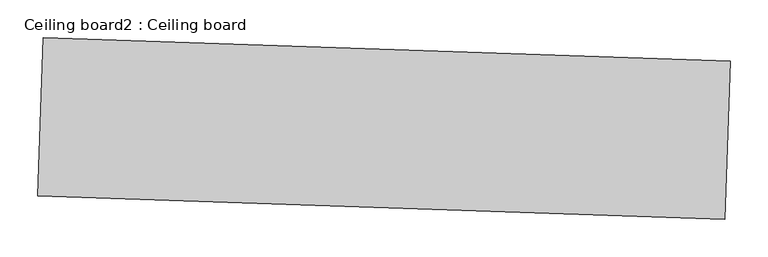
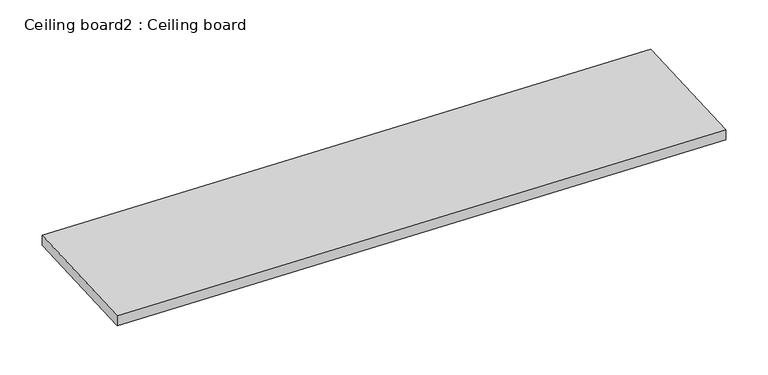
"""IFC4 building model written with IfcOpenShell, lengths in millimetres: proxy geometry, Ceiling board2 : Ceiling board."""

from ifc_helpers import new_model, si_unit, frame, origin, place, context, project, spatial, polyline, outline, extrude, source, transform, mapped, element, save


def ceiling_board2_ceiling_board_2b5f530e(model_context):
    return source(origin(), model_context, "Body", "SweptSolid", [
        extrude(outline(polyline([(34355.7014474, -15437.570656), (34348.4927609, -15648.216672), (33434.6277325, -15616.9425627), (33441.836419, -15406.2965468), (34355.7014474, -15437.570656)])), frame((0.0, 0.0, 2721.9433715), z_axis=(0.0, 0.0, 1.0), x_axis=(1.0, 0.0, 0.0)), (0.0, 0.0, 1.0), 15.875),
    ])


if __name__ == "__main__":
    model = new_model("IFC4")
    model_context = context("Model", 3, world=origin())
    ifc_project = project(units=[si_unit("LENGTHUNIT", "METRE", prefix="MILLI")], contexts=[model_context])
    site = spatial("IfcSite", under=ifc_project)
    building = spatial("IfcBuilding", under=site)
    placement = place(None, origin())
    ceiling_board2_ceiling_board_shape = ceiling_board2_ceiling_board_2b5f530e(model_context)
    element("IfcBuildingElementProxy", 1, Name="Ceiling board2 : Ceiling board", ObjectType="Ceiling board2 : Ceiling board", at=placement, inside=building, context=model_context, shape_type="MappedRepresentation", body=[
        mapped(ceiling_board2_ceiling_board_shape, transform((0.0, 0.0, 0.0), x_axis=(1.0, 0.0, 0.0), y_axis=(0.0, 1.0, 0.0), z_axis=(0.0, 0.0, 1.0))),
    ])
    save(model, "model.ifc")
